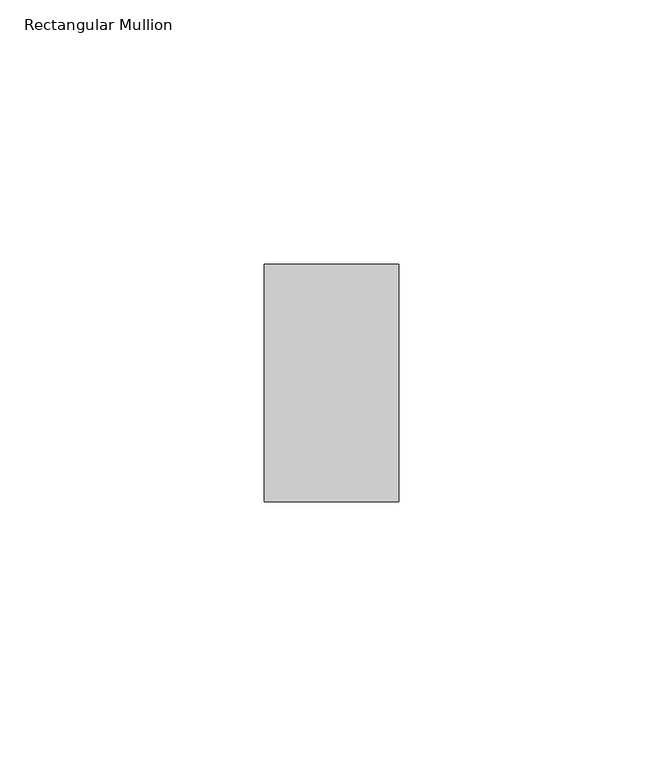
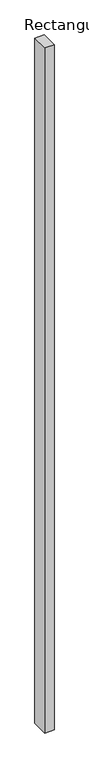
"""IFC4 building model written with IfcOpenShell, lengths in millimetres: member geometry, Rectangular Mullion."""

import ifcopenshell
import ifcopenshell.guid

model = None  # the IFC model being written
_history = None  # IfcOwnerHistory: only IFC2X3 demands one
_inside = {}  # id of a spatial element -> (the spatial element, [elements in it])
_under = {}  # id of a project, library or spatial element -> (it, [spatial elements below it])
_declared = {}  # id of a project -> (the project, [libraries it declares])
_typed = {}  # id of a type object -> (the type object, [elements of that type])
_made_of = {}  # id of a material, layer set ... -> (it, [elements and type objects made of it])


def new_model(schema):
    """Start an empty IFC model of exactly this schema.

    Asked for "IFC4X3", IfcOpenShell would pick the latest addendum, in which some entities
    have other attributes; the version numbers below select the first issue.
    IFC2X3 requires an IfcOwnerHistory on every rooted entity: one is made here for all.
    """
    global model, _history
    if schema == "IFC4X3":
        model = ifcopenshell.file(schema_version=(4, 3, 0, 0))
    else:
        model = ifcopenshell.file(schema=schema)
    _inside.clear()
    _under.clear()
    _declared.clear()
    _typed.clear()
    _made_of.clear()
    _history = None
    if model.schema == "IFC2X3":
        org = make("IfcOrganization", Name="unknown")
        user = make(
            "IfcPersonAndOrganization",
            ThePerson=make("IfcPerson", FamilyName="unknown"),
            TheOrganization=org,
        )
        app = make(
            "IfcApplication",
            ApplicationDeveloper=org,
            Version="unknown",
            ApplicationFullName="unknown",
            ApplicationIdentifier="unknown",
        )
        _history = make(
            "IfcOwnerHistory",
            OwningUser=user,
            OwningApplication=app,
            ChangeAction="ADDED",
            CreationDate=0,
        )
    return model


def make(cls, **values):
    """One entity of the class cls with the attributes given. An attribute that is None is left unset."""
    return model.create_entity(
        cls, **{name: value for name, value in values.items() if value is not None}
    )


def rooted(cls, **values):
    """An entity with a GlobalId (a new one), such as an element, a storey or a relation."""
    return make(cls, GlobalId=ifcopenshell.guid.new(), OwnerHistory=_history, **values)


def si_unit(unit_type, name, prefix=None):
    """IfcSIUnit, for example si_unit("LENGTHUNIT", "METRE", prefix="MILLI")."""
    return make("IfcSIUnit", UnitType=unit_type, Prefix=prefix, Name=name)


def assignment(units):
    """IfcUnitAssignment: the units of a project."""
    return None if units is None else make("IfcUnitAssignment", Units=units)


def point(xyz):
    """IfcCartesianPoint."""
    return None if xyz is None else make("IfcCartesianPoint", Coordinates=xyz)


def direction(xyz):
    """IfcDirection."""
    return None if xyz is None else make("IfcDirection", DirectionRatios=xyz)


def frame(location, z_axis=None, x_axis=None):
    """IfcAxis2Placement3D, a coordinate frame: its origin and axes. An axis left out is left unset."""
    return make(
        "IfcAxis2Placement3D",
        Location=point(location),
        Axis=direction(z_axis),
        RefDirection=direction(x_axis),
    )


def origin():
    """The frame at (0, 0, 0) with its axes left unset."""
    return frame((0.0, 0.0, 0.0))


def place(relative_to, where):
    """IfcLocalPlacement: puts the frame where relative to a parent placement (None: the world)."""
    return make(
        "IfcLocalPlacement", PlacementRelTo=relative_to, RelativePlacement=where
    )


def context(
    kind, dimensions, precision=None, world=None, true_north=None, identifier=None
):
    """IfcGeometricRepresentationContext, for example the 3D "Model" context."""
    return make(
        "IfcGeometricRepresentationContext",
        ContextIdentifier=identifier,
        ContextType=kind,
        CoordinateSpaceDimension=dimensions,
        Precision=precision,
        WorldCoordinateSystem=world,
        TrueNorth=true_north,
    )


def project(units=None, contexts=None):
    """IfcProject with its units and contexts."""
    return rooted(
        "IfcProject",
        Name="project",
        RepresentationContexts=contexts,
        UnitsInContext=assignment(units),
    )


def spatial(cls, under=None, at=None, **own):
    """A site, building, storey or space (cls), placed at a placement, below another one or the project."""
    s = rooted(cls, ObjectPlacement=at, **own)
    if under is not None:
        _under.setdefault(under.id(), (under, []))[1].append(s)
    return s


def polyline(points):
    """IfcPolyline through the points."""
    return make("IfcPolyline", Points=[point(p) for p in points])


def outline(outer, holes=None, kind="AREA"):
    """IfcArbitraryClosedProfileDef: a profile drawn as a closed curve; with holes, ...WithVoids."""
    if holes is None:
        return make("IfcArbitraryClosedProfileDef", ProfileType=kind, OuterCurve=outer)
    return make(
        "IfcArbitraryProfileDefWithVoids",
        ProfileType=kind,
        OuterCurve=outer,
        InnerCurves=holes,
    )


def extrude(swept, where, along, depth):
    """IfcExtrudedAreaSolid: the profile swept, set in the frame where, extruded along a direction by depth."""
    return make(
        "IfcExtrudedAreaSolid",
        SweptArea=swept,
        Position=where,
        ExtrudedDirection=direction(along),
        Depth=depth,
    )


def shape(context_of_items, identifier, shape_type, items):
    """IfcShapeRepresentation: the items that make up one representation, for example the "Body"."""
    return make(
        "IfcShapeRepresentation",
        ContextOfItems=context_of_items,
        RepresentationIdentifier=identifier,
        RepresentationType=shape_type,
        Items=items,
    )


def source(mapping_origin, context_of_items, identifier, shape_type, items):
    """IfcRepresentationMap: a shape defined once, which mapped items show again and again."""
    return make(
        "IfcRepresentationMap",
        MappingOrigin=mapping_origin,
        MappedRepresentation=shape(context_of_items, identifier, shape_type, items),
    )


def transform(
    local_origin,
    x_axis=None,
    y_axis=None,
    z_axis=None,
    scale=None,
    scale2=None,
    scale3=None,
    uniform=True,
):
    """IfcCartesianTransformationOperator3D, or its non-uniform kind. x_axis, y_axis, z_axis: its Axis1, 2, 3."""
    if uniform:
        return make(
            "IfcCartesianTransformationOperator3D",
            Axis1=direction(x_axis),
            Axis2=direction(y_axis),
            LocalOrigin=point(local_origin),
            Scale=scale,
            Axis3=direction(z_axis),
        )
    return make(
        "IfcCartesianTransformationOperator3DnonUniform",
        Axis1=direction(x_axis),
        Axis2=direction(y_axis),
        LocalOrigin=point(local_origin),
        Scale=scale,
        Axis3=direction(z_axis),
        Scale2=scale2,
        Scale3=scale3,
    )


def mapped(mapping_source, mapping_target):
    """IfcMappedItem: shows the shape of a source again, moved by a transform."""
    return make(
        "IfcMappedItem", MappingSource=mapping_source, MappingTarget=mapping_target
    )


def made_of(thing, what):
    """Note that an element or type object is made of a material, layer set ...; save() writes the relation."""
    if what is not None:
        _made_of.setdefault(what.id(), (what, []))[1].append(thing)
    return thing


def element(
    cls,
    number,
    at=None,
    inside=None,
    cuts=None,
    type_object=None,
    material=None,
    context=None,
    identifier="Body",
    shape_type=None,
    held_by="IfcProductDefinitionShape",
    body=None,
    shapes=None,
    **own,
):
    """One element of the class cls, such as IfcWall. Its Tag is "e" and its number.

    at: its placement. inside: the storey or other place that contains it. cuts: it is an
    opening in that element (IfcRelVoidsElement). A single representation is given by context,
    identifier, shape_type and body (its items); several are given by shapes. held_by: the class
    of the entity that holds the representations. save() writes the other relations.
    """
    e = rooted(cls, Tag="e%d" % number, ObjectPlacement=at, **own)
    if body is not None:
        shapes = [shape(context, identifier, shape_type, body)]
    if shapes is not None:
        e.Representation = make(held_by, Representations=shapes)
    if inside is not None:
        _inside.setdefault(inside.id(), (inside, []))[1].append(e)
    if cuts is not None:
        rooted(
            "IfcRelVoidsElement", RelatingBuildingElement=cuts, RelatedOpeningElement=e
        )
    if type_object is not None:
        _typed.setdefault(type_object.id(), (type_object, []))[1].append(e)
    return made_of(e, material)


def aggregate(whole, parts):
    """IfcRelAggregates: a whole, such as a stair, and the parts it consists of."""
    return rooted("IfcRelAggregates", RelatingObject=whole, RelatedObjects=parts)


def save(model, path):
    """Write the relations noted so far, then the file.

    IfcRelAggregates (storeys below a building ...), IfcRelContainedInSpatialStructure (elements
    in a storey), IfcRelDefinesByType, IfcRelAssociatesMaterial and IfcRelDeclares: one each for
    every whole, place, type object, material and project.
    """
    for whole, parts in _under.values():
        aggregate(whole, parts)
    for where, things in _inside.values():
        rooted(
            "IfcRelContainedInSpatialStructure",
            RelatedElements=things,
            RelatingStructure=where,
        )
    for kind, things in _typed.values():
        rooted("IfcRelDefinesByType", RelatedObjects=things, RelatingType=kind)
    for what, things in _made_of.values():
        rooted("IfcRelAssociatesMaterial", RelatedObjects=things, RelatingMaterial=what)
    for by, libraries in _declared.values():
        rooted("IfcRelDeclares", RelatingContext=by, RelatedDefinitions=libraries)
    model.write(path)


def rectangular_mullion_81471fa9(model_context):
    return source(origin(), model_context, "Body", "SweptSolid", [
        extrude(outline(polyline([(-25.41875, 22.5110276), (0.0, 22.5110276), (0.0, -22.4889724), (-25.41875, -22.4889724), (-25.41875, 22.5110276)])), frame((0.0, 0.0, -1949.1625), z_axis=(0.0, 0.0, 1.0), x_axis=(1.0, 0.0, 0.0)), (0.0, 0.0, 1.0), 1949.1625),
    ])


if __name__ == "__main__":
    model = new_model("IFC4")
    model_context = context("Model", 3, world=origin())
    ifc_project = project(units=[si_unit("LENGTHUNIT", "METRE", prefix="MILLI")], contexts=[model_context])
    site = spatial("IfcSite", under=ifc_project)
    building = spatial("IfcBuilding", under=site)
    placement = place(None, origin())
    rectangular_mullion_shape = rectangular_mullion_81471fa9(model_context)
    element("IfcMember", 1, ObjectType="Rectangular Mullion", at=placement, inside=building, context=model_context, shape_type="MappedRepresentation", body=[
        mapped(rectangular_mullion_shape, transform((0.0, 0.0, 0.0), x_axis=(1.0, 0.0, 0.0), y_axis=(0.0, 1.0, 0.0), z_axis=(0.0, 0.0, 1.0))),
    ])
    save(model, "model.ifc")
